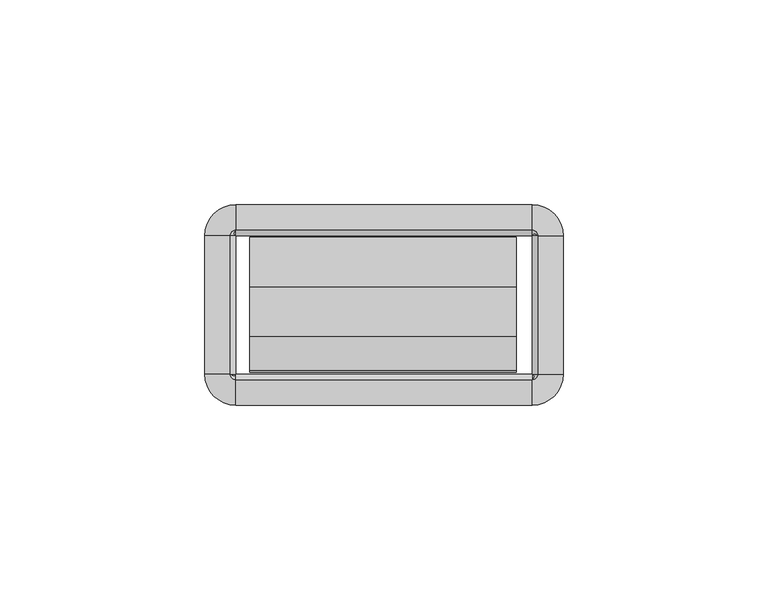
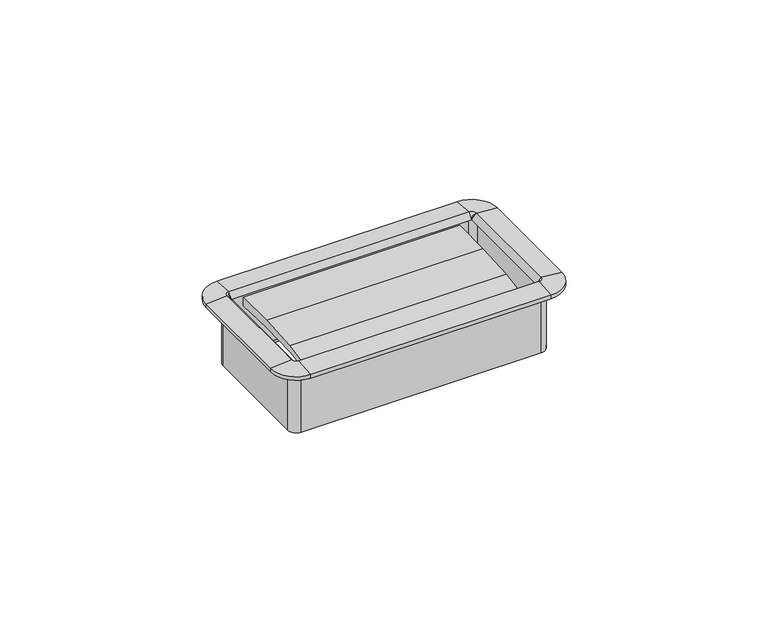
"""IFC4 building model written with IfcOpenShell, lengths in millimetres: furniture geometry."""

import ifcopenshell
import ifcopenshell.guid

model = None  # the IFC model being written
_history = None  # IfcOwnerHistory: only IFC2X3 demands one
_inside = {}  # id of a spatial element -> (the spatial element, [elements in it])
_under = {}  # id of a project, library or spatial element -> (it, [spatial elements below it])
_declared = {}  # id of a project -> (the project, [libraries it declares])
_typed = {}  # id of a type object -> (the type object, [elements of that type])
_made_of = {}  # id of a material, layer set ... -> (it, [elements and type objects made of it])


def new_model(schema):
    """Start an empty IFC model of exactly this schema.

    Asked for "IFC4X3", IfcOpenShell would pick the latest addendum, in which some entities
    have other attributes; the version numbers below select the first issue.
    IFC2X3 requires an IfcOwnerHistory on every rooted entity: one is made here for all.
    """
    global model, _history
    if schema == "IFC4X3":
        model = ifcopenshell.file(schema_version=(4, 3, 0, 0))
    else:
        model = ifcopenshell.file(schema=schema)
    _inside.clear()
    _under.clear()
    _declared.clear()
    _typed.clear()
    _made_of.clear()
    _history = None
    if model.schema == "IFC2X3":
        org = make("IfcOrganization", Name="unknown")
        user = make(
            "IfcPersonAndOrganization",
            ThePerson=make("IfcPerson", FamilyName="unknown"),
            TheOrganization=org,
        )
        app = make(
            "IfcApplication",
            ApplicationDeveloper=org,
            Version="unknown",
            ApplicationFullName="unknown",
            ApplicationIdentifier="unknown",
        )
        _history = make(
            "IfcOwnerHistory",
            OwningUser=user,
            OwningApplication=app,
            ChangeAction="ADDED",
            CreationDate=0,
        )
    return model


def make(cls, **values):
    """One entity of the class cls with the attributes given. An attribute that is None is left unset."""
    return model.create_entity(
        cls, **{name: value for name, value in values.items() if value is not None}
    )


def rooted(cls, **values):
    """An entity with a GlobalId (a new one), such as an element, a storey or a relation."""
    return make(cls, GlobalId=ifcopenshell.guid.new(), OwnerHistory=_history, **values)


def si_unit(unit_type, name, prefix=None):
    """IfcSIUnit, for example si_unit("LENGTHUNIT", "METRE", prefix="MILLI")."""
    return make("IfcSIUnit", UnitType=unit_type, Prefix=prefix, Name=name)


def assignment(units):
    """IfcUnitAssignment: the units of a project."""
    return None if units is None else make("IfcUnitAssignment", Units=units)


def point(xyz):
    """IfcCartesianPoint."""
    return None if xyz is None else make("IfcCartesianPoint", Coordinates=xyz)


def direction(xyz):
    """IfcDirection."""
    return None if xyz is None else make("IfcDirection", DirectionRatios=xyz)


def frame(location, z_axis=None, x_axis=None):
    """IfcAxis2Placement3D, a coordinate frame: its origin and axes. An axis left out is left unset."""
    return make(
        "IfcAxis2Placement3D",
        Location=point(location),
        Axis=direction(z_axis),
        RefDirection=direction(x_axis),
    )


def origin():
    """The frame at (0, 0, 0) with its axes left unset."""
    return frame((0.0, 0.0, 0.0))


def place(relative_to, where):
    """IfcLocalPlacement: puts the frame where relative to a parent placement (None: the world)."""
    return make(
        "IfcLocalPlacement", PlacementRelTo=relative_to, RelativePlacement=where
    )


def context(
    kind, dimensions, precision=None, world=None, true_north=None, identifier=None
):
    """IfcGeometricRepresentationContext, for example the 3D "Model" context."""
    return make(
        "IfcGeometricRepresentationContext",
        ContextIdentifier=identifier,
        ContextType=kind,
        CoordinateSpaceDimension=dimensions,
        Precision=precision,
        WorldCoordinateSystem=world,
        TrueNorth=true_north,
    )


def project(units=None, contexts=None):
    """IfcProject with its units and contexts."""
    return rooted(
        "IfcProject",
        Name="project",
        RepresentationContexts=contexts,
        UnitsInContext=assignment(units),
    )


def spatial(cls, under=None, at=None, **own):
    """A site, building, storey or space (cls), placed at a placement, below another one or the project."""
    s = rooted(cls, ObjectPlacement=at, **own)
    if under is not None:
        _under.setdefault(under.id(), (under, []))[1].append(s)
    return s


def polyline(points):
    """IfcPolyline through the points."""
    return make("IfcPolyline", Points=[point(p) for p in points])


def circle_curve(where, radius):
    """IfcCircle in the frame where."""
    return make("IfcCircle", Position=where, Radius=radius)


def outline(outer, holes=None, kind="AREA"):
    """IfcArbitraryClosedProfileDef: a profile drawn as a closed curve; with holes, ...WithVoids."""
    if holes is None:
        return make("IfcArbitraryClosedProfileDef", ProfileType=kind, OuterCurve=outer)
    return make(
        "IfcArbitraryProfileDefWithVoids",
        ProfileType=kind,
        OuterCurve=outer,
        InnerCurves=holes,
    )


def extrude(swept, where, along, depth):
    """IfcExtrudedAreaSolid: the profile swept, set in the frame where, extruded along a direction by depth."""
    return make(
        "IfcExtrudedAreaSolid",
        SweptArea=swept,
        Position=where,
        ExtrudedDirection=direction(along),
        Depth=depth,
    )


def shape(context_of_items, identifier, shape_type, items):
    """IfcShapeRepresentation: the items that make up one representation, for example the "Body"."""
    return make(
        "IfcShapeRepresentation",
        ContextOfItems=context_of_items,
        RepresentationIdentifier=identifier,
        RepresentationType=shape_type,
        Items=items,
    )


def source(mapping_origin, context_of_items, identifier, shape_type, items):
    """IfcRepresentationMap: a shape defined once, which mapped items show again and again."""
    return make(
        "IfcRepresentationMap",
        MappingOrigin=mapping_origin,
        MappedRepresentation=shape(context_of_items, identifier, shape_type, items),
    )


def transform(
    local_origin,
    x_axis=None,
    y_axis=None,
    z_axis=None,
    scale=None,
    scale2=None,
    scale3=None,
    uniform=True,
):
    """IfcCartesianTransformationOperator3D, or its non-uniform kind. x_axis, y_axis, z_axis: its Axis1, 2, 3."""
    if uniform:
        return make(
            "IfcCartesianTransformationOperator3D",
            Axis1=direction(x_axis),
            Axis2=direction(y_axis),
            LocalOrigin=point(local_origin),
            Scale=scale,
            Axis3=direction(z_axis),
        )
    return make(
        "IfcCartesianTransformationOperator3DnonUniform",
        Axis1=direction(x_axis),
        Axis2=direction(y_axis),
        LocalOrigin=point(local_origin),
        Scale=scale,
        Axis3=direction(z_axis),
        Scale2=scale2,
        Scale3=scale3,
    )


def mapped(mapping_source, mapping_target):
    """IfcMappedItem: shows the shape of a source again, moved by a transform."""
    return make(
        "IfcMappedItem", MappingSource=mapping_source, MappingTarget=mapping_target
    )


def made_of(thing, what):
    """Note that an element or type object is made of a material, layer set ...; save() writes the relation."""
    if what is not None:
        _made_of.setdefault(what.id(), (what, []))[1].append(thing)
    return thing


def element(
    cls,
    number,
    at=None,
    inside=None,
    cuts=None,
    type_object=None,
    material=None,
    context=None,
    identifier="Body",
    shape_type=None,
    held_by="IfcProductDefinitionShape",
    body=None,
    shapes=None,
    **own,
):
    """One element of the class cls, such as IfcWall. Its Tag is "e" and its number.

    at: its placement. inside: the storey or other place that contains it. cuts: it is an
    opening in that element (IfcRelVoidsElement). A single representation is given by context,
    identifier, shape_type and body (its items); several are given by shapes. held_by: the class
    of the entity that holds the representations. save() writes the other relations.
    """
    e = rooted(cls, Tag="e%d" % number, ObjectPlacement=at, **own)
    if body is not None:
        shapes = [shape(context, identifier, shape_type, body)]
    if shapes is not None:
        e.Representation = make(held_by, Representations=shapes)
    if inside is not None:
        _inside.setdefault(inside.id(), (inside, []))[1].append(e)
    if cuts is not None:
        rooted(
            "IfcRelVoidsElement", RelatingBuildingElement=cuts, RelatedOpeningElement=e
        )
    if type_object is not None:
        _typed.setdefault(type_object.id(), (type_object, []))[1].append(e)
    return made_of(e, material)


def aggregate(whole, parts):
    """IfcRelAggregates: a whole, such as a stair, and the parts it consists of."""
    return rooted("IfcRelAggregates", RelatingObject=whole, RelatedObjects=parts)


def save(model, path):
    """Write the relations noted so far, then the file.

    IfcRelAggregates (storeys below a building ...), IfcRelContainedInSpatialStructure (elements
    in a storey), IfcRelDefinesByType, IfcRelAssociatesMaterial and IfcRelDeclares: one each for
    every whole, place, type object, material and project.
    """
    for whole, parts in _under.values():
        aggregate(whole, parts)
    for where, things in _inside.values():
        rooted(
            "IfcRelContainedInSpatialStructure",
            RelatedElements=things,
            RelatingStructure=where,
        )
    for kind, things in _typed.values():
        rooted("IfcRelDefinesByType", RelatedObjects=things, RelatingType=kind)
    for what, things in _made_of.values():
        rooted("IfcRelAssociatesMaterial", RelatedObjects=things, RelatingMaterial=what)
    for by, libraries in _declared.values():
        rooted("IfcRelDeclares", RelatingContext=by, RelatedDefinitions=libraries)
    model.write(path)


def plane_surface(at):
    """IfcPlane: the flat surface through the origin of the frame at, square to its z axis."""
    return make("IfcPlane", Position=at)


def cylinder_surface(at, radius):
    """IfcCylindricalSurface: all points at the distance radius from the z axis of the frame at."""
    return make("IfcCylindricalSurface", Position=at, Radius=radius)


def revolved_surface(curve, axis_point, axis_direction):
    """IfcSurfaceOfRevolution: the curve turned about the line through axis_point along axis_direction."""
    return make(
        "IfcSurfaceOfRevolution",
        SweptCurve=make("IfcArbitraryOpenProfileDef", ProfileType="CURVE", Curve=curve),
        AxisPosition=make("IfcAxis1Placement", Location=point(axis_point), Axis=direction(axis_direction)),
    )


def advanced_brep(points, edges, surfaces, faces):
    """IfcAdvancedBrep: a solid bounded by faces that lie on surfaces and meet in shared edges.

    An edge is (start, end): straight between two places in points (the first is 0);
    or (start, end, curve); or (start, end, curve, False) where it runs against its curve.
    A face is (place in surfaces, loops), or (place, loops, False) where it looks against
    its surface's normal. A loop lists edges by number (the first is 1), with a minus sign
    where the edge is run from its end to its start. The first loop is the outer one.
    """
    corners = [point(p) for p in points]
    vertices = [make("IfcVertexPoint", VertexGeometry=c) for c in corners]
    made = []
    for start, end, *more in edges:
        made.append(
            make(
                "IfcEdgeCurve",
                EdgeStart=vertices[start],
                EdgeEnd=vertices[end],
                EdgeGeometry=more[0] if more else make("IfcPolyline", Points=[corners[start], corners[end]]),
                SameSense=more[1] if len(more) > 1 else True,
            )
        )
    hull = []
    for where, loops, *sense in faces:
        bounds = []
        for j, loop in enumerate(loops):
            ring = [make("IfcOrientedEdge", EdgeElement=made[abs(k) - 1], Orientation=k > 0) for k in loop]
            bounds.append(
                make(
                    "IfcFaceOuterBound" if j == 0 else "IfcFaceBound",
                    Bound=make("IfcEdgeLoop", EdgeList=ring),
                    Orientation=True,
                )
            )
        hull.append(make("IfcAdvancedFace", Bounds=bounds, FaceSurface=surfaces[where], SameSense=sense[0] if sense else True))
    return make("IfcAdvancedBrep", Outer=make("IfcClosedShell", CfsFaces=hull))


def furniture_a6e510da(model_context):
    return source(origin(), model_context, "Body", "SolidModel", [
        extrude(outline(polyline([(-27.4015977, 735.1953463), (-35.841251, 734.1317762), (-35.4230807, 735.5097243), (-27.1272776, 737.0487401), (-15.0207956, 737.8423076), (-2.8884162, 737.8874028), (-2.9633248, 735.1292515), (-15.1814712, 735.5282355), (-27.4015977, 735.1953463)])), frame((-32.8496732, 0.0, 0.0), z_axis=(1.0, 0.0, 0.0), x_axis=(0.0, 1.0, 0.0)), (0.0, 0.0, 1.0), 65.1763996),
        advanced_brep(
        [(37.8602578, -2.54, 738.124), (36.1704551, -0.8501974, 738.124), (36.1704551, -0.8501974, 719.2772), (37.8602578, -2.54, 719.2772), (37.5244377, -2.54, 739.7892454), (36.1704551, -1.1860174, 739.7892454), (36.1704551, -2.5172282, 738.124), (43.7913825, -2.54, 739.267), (36.1704551, 5.0809274, 739.267), (43.7913825, -2.54, 738.124), (36.1704551, 5.0809274, 738.124), (38.7104551, -2.54, 717.8039989), (36.1704551, 0.0, 717.8039989), (36.1704551, 0.0, 738.124), (38.7104551, -2.54, 738.124), (37.8602578, -36.2712, 719.2772), (37.8602578, -36.2712, 738.124), (36.1932269, -36.2712, 738.124), (37.5244377, -36.2712, 739.7892454), (43.7913825, -36.2712, 739.267), (43.7913825, -36.2712, 738.124), (38.7104551, -36.2712, 738.124), (38.7104551, -36.2712, 717.8039989), (36.1704551, -37.9610026, 738.124), (36.1704551, -37.9610026, 719.2772), (36.1704551, -37.6251826, 739.7892454), (36.1704551, -43.8921274, 739.267), (36.1704551, -43.8921274, 738.124), (36.1704551, -38.8112, 717.8039989), (36.1704551, -38.8112, 738.124), (-36.1687428, -37.9610026, 719.2772), (-36.1687428, -37.9610026, 738.124), (-36.1687428, -36.2939718, 738.124), (-36.1687428, -37.6251826, 739.7892454), (-36.1687428, -43.8921274, 739.267), (-36.1687428, -43.8921274, 738.124), (-36.1687428, -38.8112, 738.124), (-36.1687428, -38.8112, 717.8039989), (-37.8585455, -36.2712, 738.124), (-37.8585455, -36.2712, 719.2772), (-37.5227254, -36.2712, 739.7892454), (-43.7896702, -36.2712, 739.267), (-43.7896702, -36.2712, 738.124), (-38.7087428, -36.2712, 717.8039989), (-38.7087428, -36.2712, 738.124), (-37.8585455, -2.54, 719.2772), (-37.8585455, -2.54, 738.124), (-36.1915146, -2.54, 738.124), (-37.5227254, -2.54, 739.7892454), (-43.7896702, -2.54, 739.267), (-43.7896702, -2.54, 738.124), (-38.7087428, -2.54, 738.124), (-38.7087428, -2.54, 717.8039989), (-36.1687428, -0.8501974, 738.124), (-36.1687428, -0.8501974, 719.2772), (-36.1687428, -1.1860174, 739.7892454), (-36.1687428, 5.0809274, 739.267), (-36.1687428, 5.0809274, 738.124), (-36.1687428, 0.0, 717.8039989), (-36.1687428, 0.0, 738.124), (38.6519521, -2.54, 719.2772), (36.1704551, -0.058503, 719.2772), (38.6519521, -36.2712, 719.2772), (36.1704551, -38.752697, 719.2772), (-36.1687428, -38.752697, 719.2772), (-38.6502398, -36.2712, 719.2772), (-38.6502398, -2.54, 719.2772), (-36.1687428, -0.058503, 719.2772)],
        [
            (0, 1, circle_curve(frame((36.1704551, -2.54, 738.124), z_axis=(0.0, 0.0, 1.0), x_axis=(0.0, 1.0, 0.0)), 1.6898026)),
            (1, 2),
            (2, 3, circle_curve(frame((36.1704551, -2.54, 719.2772), z_axis=(0.0, 0.0, -1.0), x_axis=(0.0, 1.0, 0.0)), 1.6898026)),
            (3, 0),
            (4, 5, circle_curve(frame((36.1704551, -2.54, 739.7892454), z_axis=(0.0, 0.0, 1.0), x_axis=(0.0, 1.0, 0.0)), 1.3539826)),
            (5, 6),
            (6, 4),
            (7, 8, circle_curve(frame((36.1704551, -2.54, 739.267), z_axis=(0.0, 0.0, 1.0), x_axis=(0.0, 1.0, 0.0)), 7.6209274)),
            (8, 5),
            (4, 7),
            (9, 10, circle_curve(frame((36.1704551, -2.54, 738.124), z_axis=(0.0, 0.0, 1.0), x_axis=(0.0, 1.0, 0.0)), 7.6209274)),
            (10, 8),
            (7, 9),
            (11, 12, circle_curve(frame((36.1704551, -2.54, 717.8039989), z_axis=(0.0, 0.0, 1.0), x_axis=(0.0, 1.0, 0.0)), 2.54)),
            (12, 13),
            (13, 14, circle_curve(frame((36.1704551, -2.54, 738.124), z_axis=(0.0, 0.0, -1.0), x_axis=(0.0, 1.0, 0.0)), 2.54)),
            (14, 11),
            (3, 15),
            (15, 16),
            (16, 0),
            (6, 17),
            (17, 18),
            (18, 4),
            (18, 19),
            (19, 7),
            (19, 20),
            (20, 9),
            (14, 21),
            (21, 22),
            (22, 11),
            (23, 16, circle_curve(frame((36.1704551, -36.2712, 738.124), z_axis=(0.0, 0.0, 1.0), x_axis=(1.0, 0.0, 0.0)), 1.6898026)),
            (15, 24, circle_curve(frame((36.1704551, -36.2712, 719.2772), z_axis=(0.0, 0.0, -1.0), x_axis=(1.0, 0.0, 0.0)), 1.6898026)),
            (24, 23),
            (25, 18, circle_curve(frame((36.1704551, -36.2712, 739.7892454), z_axis=(0.0, 0.0, 1.0), x_axis=(1.0, 0.0, 0.0)), 1.3539826)),
            (17, 25),
            (26, 19, circle_curve(frame((36.1704551, -36.2712, 739.267), z_axis=(0.0, 0.0, 1.0), x_axis=(1.0, 0.0, 0.0)), 7.6209274)),
            (25, 26),
            (27, 20, circle_curve(frame((36.1704551, -36.2712, 738.124), z_axis=(0.0, 0.0, 1.0), x_axis=(1.0, 0.0, 0.0)), 7.6209274)),
            (26, 27),
            (28, 22, circle_curve(frame((36.1704551, -36.2712, 717.8039989), z_axis=(0.0, 0.0, 1.0), x_axis=(1.0, 0.0, 0.0)), 2.54)),
            (21, 29, circle_curve(frame((36.1704551, -36.2712, 738.124), z_axis=(0.0, 0.0, -1.0), x_axis=(1.0, 0.0, 0.0)), 2.54)),
            (29, 28),
            (24, 30),
            (30, 31),
            (31, 23),
            (17, 32),
            (32, 33),
            (33, 25),
            (33, 34),
            (34, 26),
            (34, 35),
            (35, 27),
            (29, 36),
            (36, 37),
            (37, 28),
            (38, 31, circle_curve(frame((-36.1687428, -36.2712, 738.124), z_axis=(0.0, 0.0, 1.0), x_axis=(0.0, -1.0, 0.0)), 1.6898026)),
            (30, 39, circle_curve(frame((-36.1687428, -36.2712, 719.2772), z_axis=(0.0, 0.0, -1.0), x_axis=(0.0, -1.0, 0.0)), 1.6898026)),
            (39, 38),
            (40, 33, circle_curve(frame((-36.1687428, -36.2712, 739.7892454), z_axis=(0.0, 0.0, 1.0), x_axis=(0.0, -1.0, 0.0)), 1.3539826)),
            (32, 40),
            (41, 34, circle_curve(frame((-36.1687428, -36.2712, 739.267), z_axis=(0.0, 0.0, 1.0), x_axis=(0.0, -1.0, 0.0)), 7.6209274)),
            (40, 41),
            (42, 35, circle_curve(frame((-36.1687428, -36.2712, 738.124), z_axis=(0.0, 0.0, 1.0), x_axis=(0.0, -1.0, 0.0)), 7.6209274)),
            (41, 42),
            (43, 37, circle_curve(frame((-36.1687428, -36.2712, 717.8039989), z_axis=(0.0, 0.0, 1.0), x_axis=(0.0, -1.0, 0.0)), 2.54)),
            (36, 44, circle_curve(frame((-36.1687428, -36.2712, 738.124), z_axis=(0.0, 0.0, -1.0), x_axis=(0.0, -1.0, 0.0)), 2.54)),
            (44, 43),
            (39, 45),
            (45, 46),
            (46, 38),
            (32, 47),
            (47, 48),
            (48, 40),
            (48, 49),
            (49, 41),
            (49, 50),
            (50, 42),
            (44, 51),
            (51, 52),
            (52, 43),
            (53, 46, circle_curve(frame((-36.1687428, -2.54, 738.124), z_axis=(0.0, 0.0, 1.0), x_axis=(-1.0, 0.0, 0.0)), 1.6898026)),
            (45, 54, circle_curve(frame((-36.1687428, -2.54, 719.2772), z_axis=(0.0, 0.0, -1.0), x_axis=(-1.0, 0.0, 0.0)), 1.6898026)),
            (54, 53),
            (55, 48, circle_curve(frame((-36.1687428, -2.54, 739.7892454), z_axis=(0.0, 0.0, 1.0), x_axis=(-1.0, 0.0, 0.0)), 1.3539826)),
            (47, 55),
            (56, 49, circle_curve(frame((-36.1687428, -2.54, 739.267), z_axis=(0.0, 0.0, 1.0), x_axis=(-1.0, 0.0, 0.0)), 7.6209274)),
            (55, 56),
            (57, 50, circle_curve(frame((-36.1687428, -2.54, 738.124), z_axis=(0.0, 0.0, 1.0), x_axis=(-1.0, 0.0, 0.0)), 7.6209274)),
            (56, 57),
            (58, 52, circle_curve(frame((-36.1687428, -2.54, 717.8039989), z_axis=(0.0, 0.0, 1.0), x_axis=(-1.0, 0.0, 0.0)), 2.54)),
            (51, 59, circle_curve(frame((-36.1687428, -2.54, 738.124), z_axis=(0.0, 0.0, -1.0), x_axis=(-1.0, 0.0, 0.0)), 2.54)),
            (59, 58),
            (54, 2),
            (1, 53),
            (6, 47),
            (5, 55),
            (8, 56),
            (10, 57),
            (13, 59),
            (12, 58),
            (60, 61, circle_curve(frame((36.1704551, -2.54, 719.2772), z_axis=(0.0, 0.0, 1.0), x_axis=(0.0, 1.0, 0.0)), 2.481497)),
            (61, 12),
            (11, 60),
            (22, 62),
            (62, 60),
            (63, 62, circle_curve(frame((36.1704551, -36.2712, 719.2772), z_axis=(0.0, 0.0, 1.0), x_axis=(1.0, 0.0, 0.0)), 2.481497)),
            (28, 63),
            (37, 64),
            (64, 63),
            (65, 64, circle_curve(frame((-36.1687428, -36.2712, 719.2772), z_axis=(0.0, 0.0, 1.0), x_axis=(0.0, -1.0, 0.0)), 2.481497)),
            (43, 65),
            (52, 66),
            (66, 65),
            (67, 66, circle_curve(frame((-36.1687428, -2.54, 719.2772), z_axis=(0.0, 0.0, 1.0), x_axis=(-1.0, 0.0, 0.0)), 2.481497)),
            (58, 67),
            (61, 67),
        ],
        [
            revolved_surface(polyline([(36.1704551, -0.8501974000000001, 719.2772), (36.1704551, -0.8501974000000001, 738.124)]), (36.1704551, -2.54, 738.124), (0.0, 0.0, -1.0)),
            revolved_surface(polyline([(36.1704551, -2.5172282, 738.124), (36.1704551, -1.1860174, 739.7892454)]), (36.1704551, -2.54, 738.124), (0.0, 0.0, -1.0)),
            revolved_surface(polyline([(36.1704551, -1.1860174, 739.7892454), (36.1704551, 5.0809274, 739.267)]), (36.1704551, -2.54, 738.124), (0.0, 0.0, -1.0)),
            cylinder_surface(frame((36.1704551, -2.54, 738.124), z_axis=(0.0, 0.0, -1.0), x_axis=(0.0, 1.0, 0.0)), 7.6209274),
            cylinder_surface(frame((36.1704551, -2.54, 738.124), z_axis=(0.0, 0.0, -1.0), x_axis=(0.0, 1.0, 0.0)), 2.54),
            plane_surface(frame((37.8602578, -2.54, 719.2772), z_axis=(-1.0, 0.0, 0.0), x_axis=(0.0, -1.0, 0.0))),
            plane_surface(frame((36.1932269, -2.54, 738.124), z_axis=(-0.7810942622858547, 0.0, 0.6244131272035499), x_axis=(0.0, -1.0, 0.0))),
            plane_surface(frame((37.5244377, -2.54, 739.7892454), z_axis=(0.08304548081379862, 0.0, 0.9965457581648749), x_axis=(0.0, -1.0, 0.0))),
            plane_surface(frame((43.7913825, -2.54, 739.267), z_axis=(1.0, 0.0, 0.0), x_axis=(0.0, -1.0, 0.0))),
            plane_surface(frame((38.7104551, -2.54, 738.124), z_axis=(1.0, 0.0, 0.0), x_axis=(0.0, -1.0, 0.0))),
            revolved_surface(polyline([(37.8602577, -36.2712, 719.2772), (37.8602577, -36.2712, 738.124)]), (36.1704551, -36.2712, 738.124), (0.0, 0.0, -1.0)),
            revolved_surface(polyline([(36.1932269, -36.2712, 738.124), (37.5244377, -36.2712, 739.7892454)]), (36.1704551, -36.2712, 738.124), (0.0, 0.0, -1.0)),
            revolved_surface(polyline([(37.5244377, -36.2712, 739.7892454), (43.7913825, -36.2712, 739.267)]), (36.1704551, -36.2712, 738.124), (0.0, 0.0, -1.0)),
            cylinder_surface(frame((36.1704551, -36.2712, 738.124), z_axis=(0.0, 0.0, -1.0), x_axis=(1.0, 0.0, 0.0)), 7.6209274),
            cylinder_surface(frame((36.1704551, -36.2712, 738.124), z_axis=(0.0, 0.0, -1.0), x_axis=(1.0, 0.0, 0.0)), 2.54),
            plane_surface(frame((36.1704551, -37.9610026, 719.2772), z_axis=(0.0, 1.0, 0.0), x_axis=(-1.0, 0.0, 0.0))),
            plane_surface(frame((36.1704551, -36.2939718, 738.124), z_axis=(0.0, 0.7810942622858565, 0.6244131272035475), x_axis=(-1.0, 0.0, 0.0))),
            plane_surface(frame((36.1704551, -37.6251826, 739.7892454), z_axis=(0.0, -0.08304548081379555, 0.9965457581648751), x_axis=(-1.0, 0.0, 0.0))),
            plane_surface(frame((36.1704551, -43.8921274, 739.267), z_axis=(0.0, -1.0, 0.0), x_axis=(-1.0, 0.0, 0.0))),
            plane_surface(frame((36.1704551, -38.8112, 738.124), z_axis=(0.0, -1.0, 0.0), x_axis=(-1.0, 0.0, 0.0))),
            revolved_surface(polyline([(-36.1687428, -37.9610026, 719.2772), (-36.1687428, -37.9610026, 738.124)]), (-36.1687428, -36.2712, 738.124), (0.0, 0.0, -1.0)),
            revolved_surface(polyline([(-36.1687428, -36.2939718, 738.124), (-36.1687428, -37.6251826, 739.7892454)]), (-36.1687428, -36.2712, 738.124), (0.0, 0.0, -1.0)),
            revolved_surface(polyline([(-36.1687428, -37.6251826, 739.7892454), (-36.1687428, -43.8921274, 739.267)]), (-36.1687428, -36.2712, 738.124), (0.0, 0.0, -1.0)),
            cylinder_surface(frame((-36.1687428, -36.2712, 738.124), z_axis=(0.0, 0.0, -1.0), x_axis=(0.0, -1.0, 0.0)), 7.6209274),
            cylinder_surface(frame((-36.1687428, -36.2712, 738.124), z_axis=(0.0, 0.0, -1.0), x_axis=(0.0, -1.0, 0.0)), 2.54),
            plane_surface(frame((-37.8585455, -36.2712, 719.2772), z_axis=(1.0, 0.0, 0.0), x_axis=(0.0, 1.0, 0.0))),
            plane_surface(frame((-36.1915146, -36.2712, 738.124), z_axis=(0.7810942622858585, 0.0, 0.6244131272035451), x_axis=(0.0, 1.0, 0.0))),
            plane_surface(frame((-37.5227254, -36.2712, 739.7892454), z_axis=(-0.08304548081379248, 0.0, 0.9965457581648753), x_axis=(0.0, 1.0, 0.0))),
            plane_surface(frame((-43.7896702, -36.2712, 739.267), z_axis=(-1.0, 0.0, 0.0), x_axis=(0.0, 1.0, 0.0))),
            plane_surface(frame((-38.7087428, -36.2712, 738.124), z_axis=(-1.0, 0.0, 0.0), x_axis=(0.0, 1.0, 0.0))),
            revolved_surface(polyline([(-37.8585454, -2.54, 719.2772), (-37.8585454, -2.54, 738.124)]), (-36.1687428, -2.54, 738.124), (0.0, 0.0, -1.0)),
            revolved_surface(polyline([(-36.1915146, -2.54, 738.124), (-37.5227254, -2.54, 739.7892454)]), (-36.1687428, -2.54, 738.124), (0.0, 0.0, -1.0)),
            revolved_surface(polyline([(-37.5227254, -2.54, 739.7892454), (-43.7896702, -2.54, 739.267)]), (-36.1687428, -2.54, 738.124), (0.0, 0.0, -1.0)),
            cylinder_surface(frame((-36.1687428, -2.54, 738.124), z_axis=(0.0, 0.0, -1.0), x_axis=(-1.0, 0.0, 0.0)), 7.6209274),
            cylinder_surface(frame((-36.1687428, -2.54, 738.124), z_axis=(0.0, 0.0, -1.0), x_axis=(-1.0, 0.0, 0.0)), 2.54),
            plane_surface(frame((-36.1687428, -0.8501974, 719.2772), z_axis=(0.0, -1.0, 0.0), x_axis=(1.0, 0.0, 0.0))),
            plane_surface(frame((-36.1687428, -0.8501974, 738.124), z_axis=(0.0, 0.0, -1.0), x_axis=(1.0, 0.0, 0.0))),
            plane_surface(frame((-36.1687428, -2.5172282, 738.124), z_axis=(0.0, -0.7810942622858567, 0.6244131272035476), x_axis=(1.0, 0.0, 0.0))),
            plane_surface(frame((-36.1687428, -1.1860174, 739.7892454), z_axis=(0.0, 0.08304548081379555, 0.9965457581648751), x_axis=(1.0, 0.0, 0.0))),
            plane_surface(frame((-36.1687428, 5.0809274, 739.267), z_axis=(0.0, 1.0, 0.0), x_axis=(1.0, 0.0, 0.0))),
            plane_surface(frame((-36.1687428, 5.0809274, 738.124), z_axis=(0.0, 0.0, -1.0), x_axis=(1.0, 0.0, 0.0))),
            plane_surface(frame((-36.1687428, 0.0, 738.124), z_axis=(0.0, 1.0, 0.0), x_axis=(1.0, 0.0, 0.0))),
            revolved_surface(polyline([(36.1704551, 0.0, 717.8039989), (36.1704551, -0.058503, 719.2772)]), (36.1704551, -2.54, 738.124), (0.0, 0.0, -1.0)),
            plane_surface(frame((38.7104551, -2.54, 717.8039989), z_axis=(-0.9992124303949471, 0.0, -0.03968020847000604), x_axis=(0.0, -1.0, 0.0))),
            revolved_surface(polyline([(38.7104551, -36.2712, 717.8039989), (38.6519521, -36.2712, 719.2772)]), (36.1704551, -36.2712, 738.124), (0.0, 0.0, -1.0)),
            plane_surface(frame((36.1704551, -38.8112, 717.8039989), z_axis=(0.0, 0.999212430394947, -0.039680208470009116), x_axis=(-1.0, 0.0, 0.0))),
            revolved_surface(polyline([(-36.1687428, -38.8112, 717.8039989), (-36.1687428, -38.752697, 719.2772)]), (-36.1687428, -36.2712, 738.124), (0.0, 0.0, -1.0)),
            plane_surface(frame((-38.7087428, -36.2712, 717.8039989), z_axis=(0.9992124303949469, 0.0, -0.03968020847001219), x_axis=(0.0, 1.0, 0.0))),
            revolved_surface(polyline([(-38.7087428, -2.54, 717.8039989), (-38.6502398, -2.54, 719.2772)]), (-36.1687428, -2.54, 738.124), (0.0, 0.0, -1.0)),
            plane_surface(frame((-36.1687428, 0.0, 717.8039989), z_axis=(0.0, -0.999212430394947, -0.039680208470009116), x_axis=(1.0, 0.0, 0.0))),
            plane_surface(frame((-36.1687428, -0.058503, 719.2772), z_axis=(0.0, 0.0, -1.0), x_axis=(1.0, 0.0, 0.0))),
        ],
        [
            (0, [[1, 2, 3, 4]]),
            (1, [[5, 6, 7]]),
            (2, [[8, 9, -5, 10]]),
            (3, [[11, 12, -8, 13]]),
            (4, [[14, 15, 16, 17]]),
            (5, [[-4, 18, 19, 20]]),
            (6, [[-7, 21, 22, 23]]),
            (7, [[-10, -23, 24, 25]]),
            (8, [[-13, -25, 26, 27]]),
            (9, [[-17, 28, 29, 30]]),
            (10, [[31, -19, 32, 33]]),
            (11, [[34, -22, 35]]),
            (12, [[36, -24, -34, 37]]),
            (13, [[38, -26, -36, 39]]),
            (14, [[40, -29, 41, 42]]),
            (15, [[-33, 43, 44, 45]]),
            (16, [[-35, 46, 47, 48]]),
            (17, [[-37, -48, 49, 50]]),
            (18, [[-39, -50, 51, 52]]),
            (19, [[-42, 53, 54, 55]]),
            (20, [[56, -44, 57, 58]]),
            (21, [[59, -47, 60]]),
            (22, [[61, -49, -59, 62]]),
            (23, [[63, -51, -61, 64]]),
            (24, [[65, -54, 66, 67]]),
            (25, [[-58, 68, 69, 70]]),
            (26, [[-60, 71, 72, 73]]),
            (27, [[-62, -73, 74, 75]]),
            (28, [[-64, -75, 76, 77]]),
            (29, [[-67, 78, 79, 80]]),
            (30, [[81, -69, 82, 83]]),
            (31, [[84, -72, 85]]),
            (32, [[86, -74, -84, 87]]),
            (33, [[88, -76, -86, 89]]),
            (34, [[90, -79, 91, 92]]),
            (35, [[-83, 93, -2, 94]]),
            (36, [[-70, -81, -94, -1, -20, -31, -45, -56], [95, -71, -46, -21]]),
            (37, [[-85, -95, -6, 96]]),
            (38, [[-87, -96, -9, 97]]),
            (39, [[-89, -97, -12, 98]]),
            (40, [[-77, -88, -98, -11, -27, -38, -52, -63], [99, -91, -78, -66, -53, -41, -28, -16]]),
            (41, [[-92, -99, -15, 100]]),
            (42, [[101, 102, -14, 103]]),
            (43, [[-103, -30, 104, 105]]),
            (44, [[106, -104, -40, 107]]),
            (45, [[-107, -55, 108, 109]]),
            (46, [[110, -108, -65, 111]]),
            (47, [[-111, -80, 112, 113]]),
            (48, [[114, -112, -90, 115]]),
            (49, [[-115, -100, -102, 116]]),
            (50, [[-113, -114, -116, -101, -105, -106, -109, -110], [-93, -82, -68, -57, -43, -32, -18, -3]]),
        ],
    ),
    ])


if __name__ == "__main__":
    model = new_model("IFC4")
    model_context = context("Model", 3, world=origin())
    ifc_project = project(units=[si_unit("LENGTHUNIT", "METRE", prefix="MILLI")], contexts=[model_context])
    site = spatial("IfcSite", under=ifc_project)
    building = spatial("IfcBuilding", under=site)
    placement = place(None, origin())
    furniture_shape = furniture_a6e510da(model_context)
    element("IfcFurniture", 1, at=placement, inside=building, context=model_context, shape_type="MappedRepresentation", body=[
        mapped(furniture_shape, transform((0.0, 0.0, 0.0), x_axis=(1.0, 0.0, 0.0), y_axis=(0.0, 1.0, 0.0), z_axis=(0.0, 0.0, 1.0))),
    ])
    save(model, "model.ifc")
